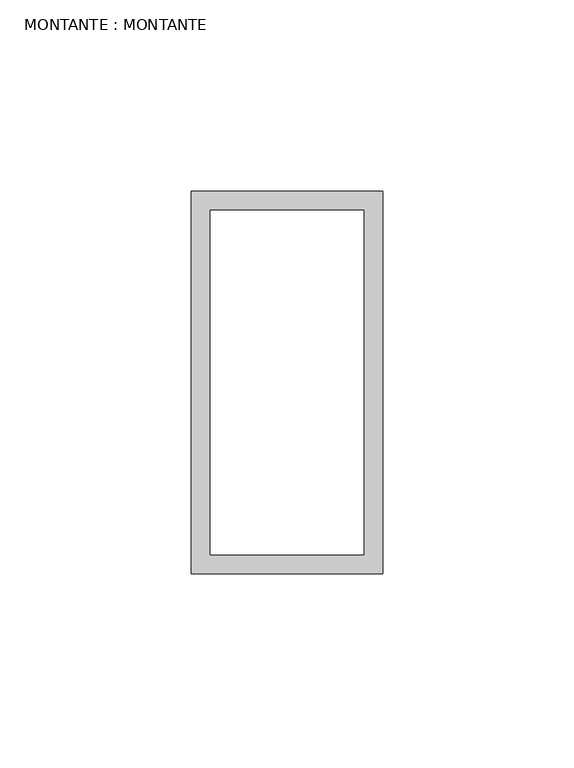
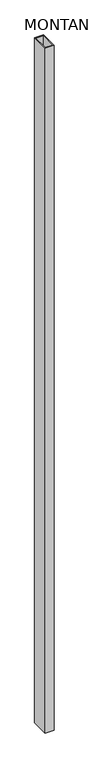
"""IFC4 building model written with IfcOpenShell, lengths in millimetres: plate geometry, MONTANTE : MONTANTE."""

from ifc_helpers import new_model, si_unit, origin, origin_with_axes, place, context, project, spatial, polyline, outline, extrude, source, transform, mapped, element, save


def montante_montante_a8c92773(model_context):
    return source(origin(), model_context, "Body", "SweptSolid", [
        extrude(outline(polyline([(-25.0, -100.0), (-25.0, 0.0), (25.0, 0.0), (25.0, -100.0), (-25.0, -100.0)]), holes=[polyline([(-20.0, -5.0), (-20.0, -95.0), (20.0, -95.0), (20.0, -5.0), (-20.0, -5.0)])]), origin_with_axes(), (0.0, 0.0, 1.0), 4000.0),
    ])


if __name__ == "__main__":
    model = new_model("IFC4")
    model_context = context("Model", 3, world=origin())
    ifc_project = project(units=[si_unit("LENGTHUNIT", "METRE", prefix="MILLI")], contexts=[model_context])
    site = spatial("IfcSite", under=ifc_project)
    building = spatial("IfcBuilding", under=site)
    placement = place(None, origin())
    montante_montante_shape = montante_montante_a8c92773(model_context)
    element("IfcPlate", 1, ObjectType="MONTANTE : MONTANTE", at=placement, inside=building, context=model_context, shape_type="MappedRepresentation", body=[
        mapped(montante_montante_shape, transform((0.0, 0.0, 0.0), x_axis=(1.0, 0.0, 0.0), y_axis=(0.0, 1.0, 0.0), z_axis=(0.0, 0.0, 1.0))),
    ])
    save(model, "model.ifc")
